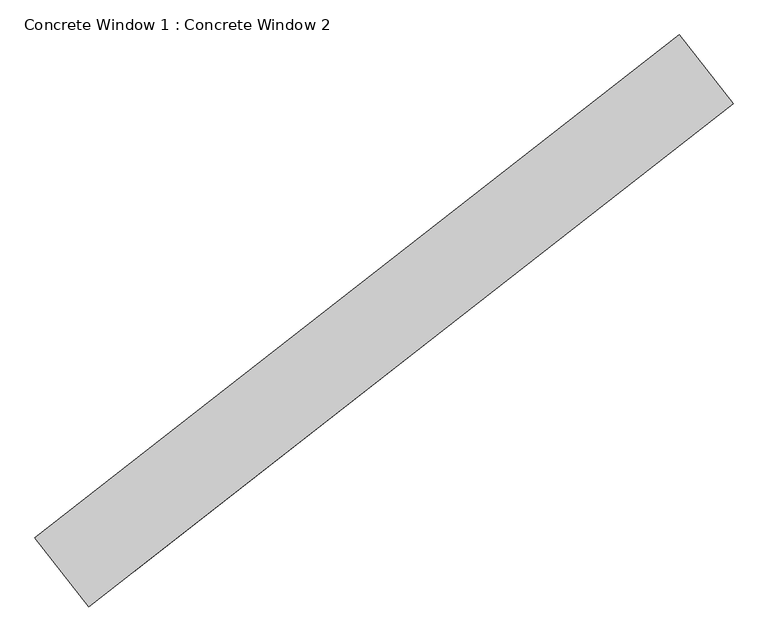
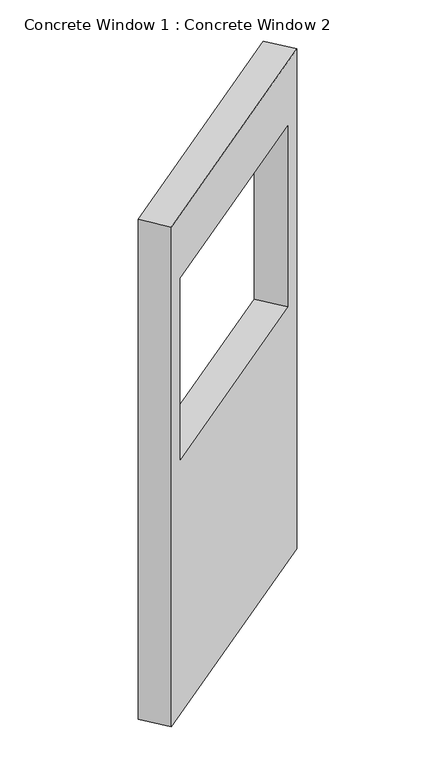
"""IFC4 building model written with IfcOpenShell, lengths in millimetres: proxy geometry, Concrete Window 1 : Concrete Window 2."""

from ifc_helpers import new_model, si_unit, frame, origin, place, context, project, spatial, polyline, outline, extrude, source, transform, mapped, element, save


def concrete_window_1_concrete_window_2_6be2b165(model_context):
    return source(origin(), model_context, "Body", "SweptSolid", [
        extrude(outline(polyline([(0.0, 0.0), (0.0, -1422.4), (-2590.8, -1422.4), (-2590.8, 0.0), (0.0, 0.0)]), holes=[polyline([(-330.2, -104.044704), (-1270.0, -104.044704), (-1270.0, -1323.2447039), (-330.2, -1323.2447039), (-330.2, -104.044704)])]), frame((150254.3021172, 7601.7928584, 2590.8), z_axis=(-0.6156614753256529, 0.7880107536067263, 0.0), x_axis=(0.0, 0.0, 1.0)), (0.0, 0.0, 1.0), 152.4),
    ])


if __name__ == "__main__":
    model = new_model("IFC4")
    model_context = context("Model", 3, world=origin())
    ifc_project = project(units=[si_unit("LENGTHUNIT", "METRE", prefix="MILLI")], contexts=[model_context])
    site = spatial("IfcSite", under=ifc_project)
    building = spatial("IfcBuilding", under=site)
    placement = place(None, origin())
    concrete_window_1_concrete_window_2_shape = concrete_window_1_concrete_window_2_6be2b165(model_context)
    element("IfcBuildingElementProxy", 1, Name="Concrete Window 1 : Concrete Window 2", ObjectType="Concrete Window 1 : Concrete Window 2", at=placement, inside=building, context=model_context, shape_type="MappedRepresentation", body=[
        mapped(concrete_window_1_concrete_window_2_shape, transform((0.0, 0.0, 0.0), x_axis=(1.0, 0.0, 0.0), y_axis=(0.0, 1.0, 0.0), z_axis=(0.0, 0.0, 1.0))),
    ])
    save(model, "model.ifc")
